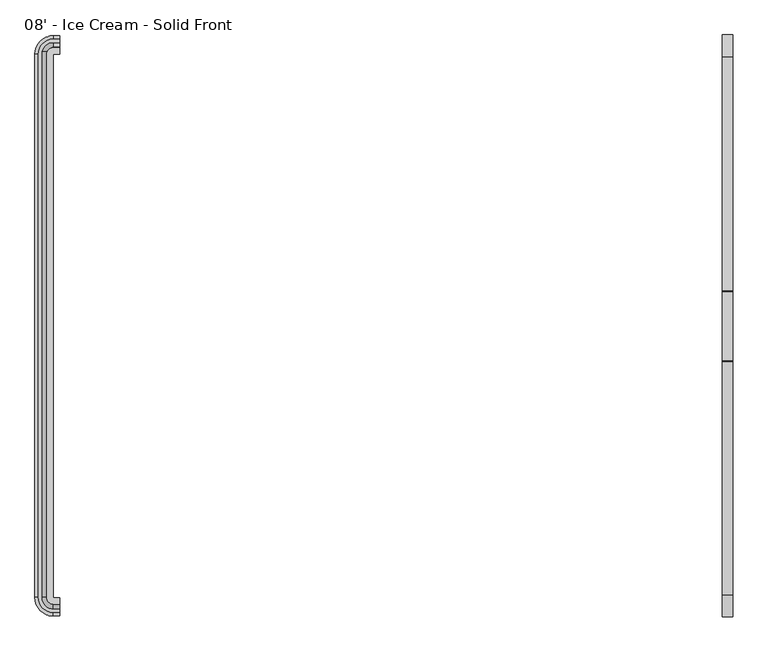
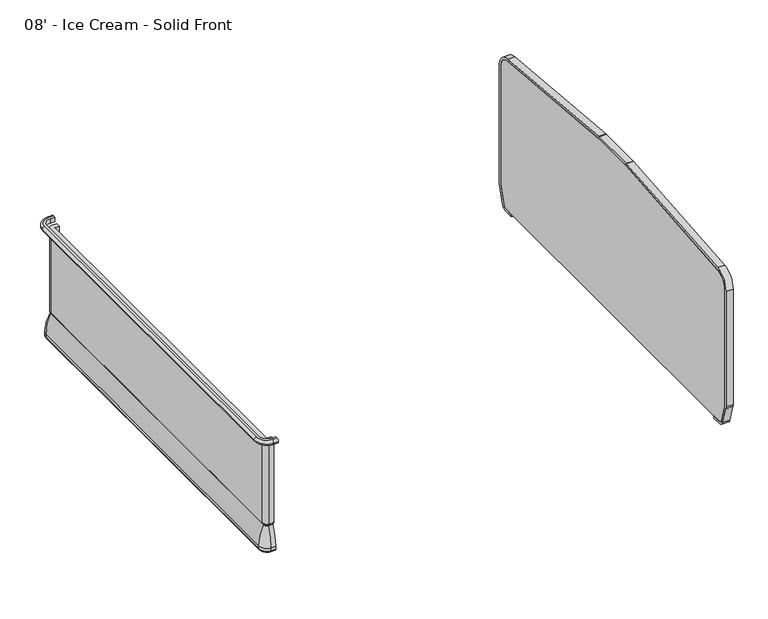
"""IFC4 building model written with IfcOpenShell, lengths in millimetres: proxy geometry, 08' - Ice Cream - Solid Front."""

from ifc_helpers import new_model, si_unit, point, frame, frame_2d, origin, place, context, project, spatial, polyline, circle_curve, ellipse_curve, trimmed, segment, composite_curve, outline, extrude, source, transform, mapped, element, save
from ifc_brep_helpers import plane_surface, cylinder_surface, revolved_surface, advanced_brep


def proxy_08_ice_cream_solid_front_8f405a52(model_context):
    return source(origin(), model_context, "Body", "SolidModel", [
        extrude(outline(composite_curve([segment(trimmed(circle_curve(frame_2d((-448.7907325, 105.4346764)), 25.4), [point((-448.7907325, 80.0346764))], [point((-424.3934681, 98.3683131))], True, "CARTESIAN"), True, "CONTINUOUS"), segment(polyline([(-424.3934681, 98.3683131), (-396.5553629, 194.4819131)]), True, "CONTINUOUS"), segment(trimmed(circle_curve(frame_2d((-420.9526273, 201.5482764)), 25.4), [point((-396.5553629, 194.4819131))], [point((-395.5526273, 201.5482764))], True, "CARTESIAN"), True, "CONTINUOUS"), segment(polyline([(-395.5526273, 201.5482764), (-395.5526273, 867.4346764)]), True, "CONTINUOUS"), segment(trimmed(circle_curve(frame_2d((-471.7526273, 867.4346764)), 76.2), [point((-395.5526273, 867.4346764))], [point((-465.008014, 943.3355999))], True, "CARTESIAN"), True, "CONTINUOUS"), segment(polyline([(-465.008014, 943.3355999), (-1324.7732229, 1019.7349842)]), True, "CONTINUOUS"), segment(trimmed(circle_curve(frame_2d((-1327.0214273, 994.4346764)), 25.4), [point((-1324.7732229, 1019.7349842))], [point((-1327.0214273, 1019.8346764))], True, "CARTESIAN"), True, "CONTINUOUS"), segment(polyline([(-1327.0214273, 1019.8346764), (-1581.0214273, 1019.8346764)]), True, "CONTINUOUS"), segment(trimmed(circle_curve(frame_2d((-1581.0214273, 994.4346764)), 25.4), [point((-1581.0214273, 1019.8346764))], [point((-1583.2696317, 1019.7349842))], True, "CARTESIAN"), True, "CONTINUOUS"), segment(polyline([(-1583.2696317, 1019.7349842), (-2443.0348406, 943.3355999)]), True, "CONTINUOUS"), segment(trimmed(circle_curve(frame_2d((-2436.2902273, 867.4346764)), 76.2), [point((-2443.0348406, 943.3355999))], [point((-2512.4902273, 867.4346764))], True, "CARTESIAN"), True, "CONTINUOUS"), segment(polyline([(-2512.4902273, 867.4346764), (-2512.4902273, 201.5482764)]), True, "CONTINUOUS"), segment(trimmed(circle_curve(frame_2d((-2487.0902273, 201.5482764)), 25.4), [point((-2512.4902273, 201.5482764))], [point((-2511.4874917, 194.4819131))], True, "CARTESIAN"), True, "CONTINUOUS"), segment(polyline([(-2511.4874917, 194.4819131), (-2483.6493865, 98.3683131)]), True, "CONTINUOUS"), segment(trimmed(circle_curve(frame_2d((-2459.2521221, 105.4346764)), 25.4), [point((-2483.6493865, 98.3683131))], [point((-2459.2521221, 80.0346764))], True, "CARTESIAN"), True, "CONTINUOUS"), segment(polyline([(-2459.2521221, 80.0346764), (-2409.6329734, 80.0346764), (-2409.6329734, 67.3346764), (-2459.2521221, 67.3346764)]), True, "CONTINUOUS"), segment(trimmed(circle_curve(frame_2d((-2459.2521221, 105.4346764)), 38.1), [point((-2459.2521221, 67.3346764))], [point((-2495.8480186, 94.8351315))], False, "CARTESIAN"), True, "CONTINUOUS"), segment(polyline([(-2495.8480186, 94.8351315), (-2523.6861239, 190.9487315)]), True, "CONTINUOUS"), segment(trimmed(circle_curve(frame_2d((-2487.0902273, 201.5482764)), 38.1), [point((-2523.6861239, 190.9487315))], [point((-2525.1902273, 201.5482764))], False, "CARTESIAN"), True, "CONTINUOUS"), segment(polyline([(-2525.1902273, 201.5482764), (-2525.1902273, 867.4346764)]), True, "CONTINUOUS"), segment(trimmed(circle_curve(frame_2d((-2436.2902273, 867.4346764)), 88.9), [point((-2525.1902273, 867.4346764))], [point((-2444.1589428, 955.9857538))], False, "CARTESIAN"), True, "CONTINUOUS"), segment(polyline([(-2444.1589428, 955.9857538), (-1584.3937339, 1032.3851381)]), True, "CONTINUOUS"), segment(trimmed(circle_curve(frame_2d((-1581.0214273, 994.4346764)), 38.1), [point((-1584.3937339, 1032.3851381))], [point((-1581.0214273, 1032.5346764))], False, "CARTESIAN"), True, "CONTINUOUS"), segment(polyline([(-1581.0214273, 1032.5346764), (-1327.0214273, 1032.5346764)]), True, "CONTINUOUS"), segment(trimmed(circle_curve(frame_2d((-1327.0214273, 994.4346764)), 38.1), [point((-1327.0214273, 1032.5346764))], [point((-1323.6491207, 1032.3851381))], False, "CARTESIAN"), True, "CONTINUOUS"), segment(polyline([(-1323.6491207, 1032.3851381), (-463.8839118, 955.9857538)]), True, "CONTINUOUS"), segment(trimmed(circle_curve(frame_2d((-471.7526273, 867.4346764)), 88.9), [point((-463.8839118, 955.9857538))], [point((-382.8526273, 867.4346764))], False, "CARTESIAN"), True, "CONTINUOUS"), segment(polyline([(-382.8526273, 867.4346764), (-382.8526273, 201.5482764)]), True, "CONTINUOUS"), segment(trimmed(circle_curve(frame_2d((-420.9526273, 201.5482764)), 38.1), [point((-382.8526273, 201.5482764))], [point((-384.3567307, 190.9487315))], False, "CARTESIAN"), True, "CONTINUOUS"), segment(polyline([(-384.3567307, 190.9487315), (-412.1948359, 94.8351315)]), True, "CONTINUOUS"), segment(trimmed(circle_curve(frame_2d((-448.7907325, 105.4346764)), 38.1), [point((-412.1948359, 94.8351315))], [point((-448.7907325, 67.3346764))], False, "CARTESIAN"), True, "CONTINUOUS"), segment(polyline([(-448.7907325, 67.3346764), (-498.4098812, 67.3346764), (-498.4098812, 80.0346764), (-448.7907325, 80.0346764)]), True, "CONTINUOUS")], self_intersect=False)), frame((2438.4, 0.0, 0.0), z_axis=(1.0, 0.0, 0.0), x_axis=(0.0, 1.0, 0.0)), (0.0, 0.0, 1.0), 38.1),
        extrude(outline(composite_curve([segment(polyline([(-448.7907325, 80.0346764), (-2459.2521221, 80.0346764)]), True, "CONTINUOUS"), segment(trimmed(circle_curve(frame_2d((-2459.2521221, 105.4346764)), 25.4), [point((-2459.2521221, 80.0346764))], [point((-2483.6493865, 98.3683131))], False, "CARTESIAN"), True, "CONTINUOUS"), segment(polyline([(-2483.6493865, 98.3683131), (-2511.4874917, 194.4819131)]), True, "CONTINUOUS"), segment(trimmed(circle_curve(frame_2d((-2487.0902273, 201.5482764)), 25.4), [point((-2511.4874917, 194.4819131))], [point((-2512.4902273, 201.5482764))], False, "CARTESIAN"), True, "CONTINUOUS"), segment(polyline([(-2512.4902273, 201.5482764), (-2512.4902273, 867.4346764)]), True, "CONTINUOUS"), segment(trimmed(circle_curve(frame_2d((-2436.2902273, 867.4346764)), 76.2), [point((-2512.4902273, 867.4346764))], [point((-2443.0348406, 943.3355999))], False, "CARTESIAN"), True, "CONTINUOUS"), segment(polyline([(-2443.0348406, 943.3355999), (-1583.2696317, 1019.7349842)]), True, "CONTINUOUS"), segment(trimmed(circle_curve(frame_2d((-1581.0214273, 994.4346764)), 25.4), [point((-1583.2696317, 1019.7349842))], [point((-1581.0214273, 1019.8346764))], False, "CARTESIAN"), True, "CONTINUOUS"), segment(polyline([(-1581.0214273, 1019.8346764), (-1327.0214273, 1019.8346764)]), True, "CONTINUOUS"), segment(trimmed(circle_curve(frame_2d((-1327.0214273, 994.4346764)), 25.4), [point((-1327.0214273, 1019.8346764))], [point((-1324.7732229, 1019.7349842))], False, "CARTESIAN"), True, "CONTINUOUS"), segment(polyline([(-1324.7732229, 1019.7349842), (-465.008014, 943.3355999)]), True, "CONTINUOUS"), segment(trimmed(circle_curve(frame_2d((-471.7526273, 867.4346764)), 76.2), [point((-465.008014, 943.3355999))], [point((-395.5526273, 867.4346764))], False, "CARTESIAN"), True, "CONTINUOUS"), segment(polyline([(-395.5526273, 867.4346764), (-395.5526273, 201.5482764)]), True, "CONTINUOUS"), segment(trimmed(circle_curve(frame_2d((-420.9526273, 201.5482764)), 25.4), [point((-395.5526273, 201.5482764))], [point((-396.5553629, 194.4819131))], False, "CARTESIAN"), True, "CONTINUOUS"), segment(polyline([(-396.5553629, 194.4819131), (-424.3934681, 98.3683131)]), True, "CONTINUOUS"), segment(trimmed(circle_curve(frame_2d((-448.7907325, 105.4346764)), 25.4), [point((-424.3934681, 98.3683131))], [point((-448.7907325, 80.0346764))], False, "CARTESIAN"), True, "CONTINUOUS")], self_intersect=False)), frame((2438.4, 0.0, 0.0), z_axis=(1.0, 0.0, 0.0), x_axis=(0.0, 1.0, 0.0)), (0.0, 0.0, 1.0), 38.1),
        advanced_brep(
        [(0.0, -2509.5631602, 866.4774073), (0.0, -2522.2631602, 853.7774073), (0.0, -2509.5631602, 841.0774073), (0.0, -2497.1486734, 841.0774073), (0.0, -2497.1486734, 866.4774073), (-23.8125, -2509.5631602, 866.4774073), (-23.8125, -2522.2631602, 853.7774073), (-23.8125, -2509.5631602, 841.0774073), (-79.2292329, -2454.1464273, 841.0774073), (-79.2292329, -453.8964273, 841.0774073), (-23.8125, -398.4796944, 841.0774073), (0.0, -398.4796944, 841.0774073), (0.0, -410.8941812, 841.0774073), (-23.8125, -410.8941812, 841.0774073), (-66.8147461, -453.8964273, 841.0774073), (-66.8147461, -2454.1464273, 841.0774073), (-23.8125, -2497.1486734, 841.0774073), (-23.8125, -2497.1486734, 866.4774073), (-66.8147461, -2454.1464273, 866.4774073), (-66.8147461, -453.8964273, 866.4774073), (-23.8125, -410.8941812, 866.4774073), (0.0, -410.8941812, 866.4774073), (0.0, -398.4796944, 866.4774073), (-23.8125, -398.4796944, 866.4774073), (-79.2292329, -453.8964273, 866.4774073), (-79.2292329, -2454.1464273, 866.4774073), (-91.9292329, -2454.1464273, 853.7774073), (-91.9292329, -453.8964273, 853.7774073), (-23.8125, -385.7796944, 853.7774073), (0.0, -385.7796944, 853.7774073)],
        [
            (0, 1, circle_curve(frame((0.0, -2509.5631602, 853.7774073), z_axis=(1.0, 0.0, 0.0), x_axis=(0.0, -1.0, 0.0)), 12.7)),
            (1, 2, circle_curve(frame((0.0, -2509.5631602, 853.7774073), z_axis=(1.0, 0.0, 0.0), x_axis=(0.0, -1.0, 0.0)), 12.7)),
            (2, 3),
            (3, 4),
            (4, 0),
            (0, 5),
            (5, 6, circle_curve(frame((-23.8125, -2509.5631602, 853.7774073), z_axis=(1.0, 0.0, 0.0), x_axis=(0.0, -1.0, 0.0)), 12.7)),
            (6, 1),
            (6, 7, circle_curve(frame((-23.8125, -2509.5631602, 853.7774073), z_axis=(1.0, 0.0, 0.0), x_axis=(0.0, -1.0, 0.0)), 12.7)),
            (7, 2),
            (7, 8, circle_curve(frame((-23.8125, -2454.1464273, 841.0774073), z_axis=(0.0, 0.0, -1.0), x_axis=(0.0, -1.0, 0.0)), 55.4167329)),
            (8, 9),
            (9, 10, circle_curve(frame((-23.8125, -453.8964273, 841.0774073), z_axis=(0.0, 0.0, -1.0), x_axis=(-1.0, 0.0, 0.0)), 55.4167329)),
            (10, 11),
            (11, 12),
            (12, 13),
            (13, 14, circle_curve(frame((-23.8125, -453.8964273, 841.0774073), z_axis=(0.0, 0.0, 1.0), x_axis=(-1.0, 0.0, 0.0)), 43.0022461)),
            (14, 15),
            (15, 16, circle_curve(frame((-23.8125, -2454.1464273, 841.0774073), z_axis=(0.0, 0.0, 1.0), x_axis=(0.0, -1.0, 0.0)), 43.0022461)),
            (16, 3),
            (16, 17),
            (17, 4),
            (17, 18, circle_curve(frame((-23.8125, -2454.1464273, 866.4774073), z_axis=(0.0, 0.0, -1.0), x_axis=(0.0, -1.0, 0.0)), 43.0022461)),
            (18, 19),
            (19, 20, circle_curve(frame((-23.8125, -453.8964273, 866.4774073), z_axis=(0.0, 0.0, -1.0), x_axis=(-1.0, 0.0, 0.0)), 43.0022461)),
            (20, 21),
            (21, 22),
            (22, 23),
            (23, 24, circle_curve(frame((-23.8125, -453.8964273, 866.4774073), z_axis=(0.0, 0.0, 1.0), x_axis=(-1.0, 0.0, 0.0)), 55.4167329)),
            (24, 25),
            (25, 5, circle_curve(frame((-23.8125, -2454.1464273, 866.4774073), z_axis=(0.0, 0.0, 1.0), x_axis=(0.0, -1.0, 0.0)), 55.4167329)),
            (26, 6, circle_curve(frame((-23.8125, -2454.1464273, 853.7774073), z_axis=(0.0, 0.0, 1.0), x_axis=(0.0, -1.0, 0.0)), 68.1167329)),
            (25, 26, circle_curve(frame((-79.2292329, -2454.1464273, 853.7774073), z_axis=(0.0, -1.0, 0.0), x_axis=(-1.0, 0.0, 0.0)), 12.7)),
            (26, 8, circle_curve(frame((-79.2292329, -2454.1464273, 853.7774073), z_axis=(0.0, -1.0, 0.0), x_axis=(-1.0, 0.0, 0.0)), 12.7)),
            (15, 18),
            (24, 27, circle_curve(frame((-79.2292329, -453.8964273, 853.7774073), z_axis=(0.0, -1.0, 0.0), x_axis=(-1.0, 0.0, 0.0)), 12.7)),
            (27, 26),
            (27, 9, circle_curve(frame((-79.2292329, -453.8964273, 853.7774073), z_axis=(0.0, -1.0, 0.0), x_axis=(-1.0, 0.0, 0.0)), 12.7)),
            (14, 19),
            (28, 27, circle_curve(frame((-23.8125, -453.8964273, 853.7774073), z_axis=(0.0, 0.0, 1.0), x_axis=(-1.0, 0.0, 0.0)), 68.1167329)),
            (23, 28, circle_curve(frame((-23.8125, -398.4796944, 853.7774073), z_axis=(-1.0, 0.0, 0.0), x_axis=(0.0, 1.0, 0.0)), 12.7)),
            (28, 10, circle_curve(frame((-23.8125, -398.4796944, 853.7774073), z_axis=(-1.0, 0.0, 0.0), x_axis=(0.0, 1.0, 0.0)), 12.7)),
            (13, 20),
            (21, 12),
            (11, 29, circle_curve(frame((0.0, -398.4796944, 853.7774073), z_axis=(1.0, 0.0, 0.0), x_axis=(0.0, 1.0, 0.0)), 12.7)),
            (29, 22, circle_curve(frame((0.0, -398.4796944, 853.7774073), z_axis=(1.0, 0.0, 0.0), x_axis=(0.0, 1.0, 0.0)), 12.7)),
            (29, 28),
        ],
        [
            plane_surface(frame((0.0, -2506.5339273, -50.8), z_axis=(1.0, 0.0, 0.0), x_axis=(0.0, 0.0, 1.0))),
            cylinder_surface(frame((0.0, -2509.5631602, 853.7774073), z_axis=(1.0, 0.0, 0.0), x_axis=(0.0, -1.0, 0.0)), 12.7),
            plane_surface(frame((0.0, -2509.5631602, 841.0774073), z_axis=(0.0, 0.0, -1.0), x_axis=(-1.0, 0.0, 0.0))),
            plane_surface(frame((0.0, -2497.1486734, 841.0774073), z_axis=(0.0, 1.0, 0.0), x_axis=(-1.0, 0.0, 0.0))),
            plane_surface(frame((0.0, -2497.1486734, 866.4774073), z_axis=(0.0, 0.0, 1.0), x_axis=(-1.0, 0.0, 0.0))),
            revolved_surface(trimmed(ellipse_curve(frame((-23.8125, -2509.5631602, 853.7774073), z_axis=(1.0, 0.0, 0.0), x_axis=(0.0, -1.0, 0.0)), 12.7, 12.7), [point((-23.8125, -2509.5631602, 866.4774073))], [point((-23.8125, -2522.2631602, 853.7774073))], True, "CARTESIAN"), (-23.8125, -2454.1464273, -50.8), (0.0, 0.0, -1.0)),
            revolved_surface(trimmed(ellipse_curve(frame((-23.8125, -2509.5631602, 853.7774073), z_axis=(1.0, 0.0, 0.0), x_axis=(0.0, -1.0, 0.0)), 12.7, 12.7), [point((-23.8125, -2522.2631602, 853.7774073))], [point((-23.8125, -2509.5631602, 841.0774073))], True, "CARTESIAN"), (-23.8125, -2454.1464273, -50.8), (0.0, 0.0, -1.0)),
            revolved_surface(polyline([(-23.8125, -2497.1486734, 841.0774073), (-23.8125, -2497.1486734, 866.4774073)]), (-23.8125, -2454.1464273, -50.8), (0.0, 0.0, -1.0)),
            cylinder_surface(frame((-79.2292329, -2454.1464273, 853.7774073), z_axis=(0.0, -1.0, 0.0), x_axis=(-1.0, 0.0, 0.0)), 12.7),
            plane_surface(frame((-66.8147461, -2454.1464273, 841.0774073), z_axis=(1.0, 0.0, 0.0), x_axis=(0.0, 1.0, 0.0))),
            revolved_surface(trimmed(ellipse_curve(frame((-79.2292329, -453.8964273, 853.7774073), z_axis=(0.0, -1.0, 0.0), x_axis=(-1.0, 0.0, 0.0)), 12.7, 12.7), [point((-79.2292329, -453.8964273, 866.4774073))], [point((-91.9292329, -453.8964273, 853.7774073))], True, "CARTESIAN"), (-23.8125, -453.8964273, -50.8), (0.0, 0.0, -1.0)),
            revolved_surface(trimmed(ellipse_curve(frame((-79.2292329, -453.8964273, 853.7774073), z_axis=(0.0, -1.0, 0.0), x_axis=(-1.0, 0.0, 0.0)), 12.7, 12.7), [point((-91.9292329, -453.8964273, 853.7774073))], [point((-79.2292329, -453.8964273, 841.0774073))], True, "CARTESIAN"), (-23.8125, -453.8964273, -50.8), (0.0, 0.0, -1.0)),
            revolved_surface(polyline([(-66.81474610000001, -453.8964273, 841.0774073), (-66.81474610000001, -453.8964273, 866.4774073)]), (-23.8125, -453.8964273, -50.8), (0.0, 0.0, -1.0)),
            plane_surface(frame((0.0, -401.5089273, -50.8), z_axis=(1.0, 0.0, 0.0), x_axis=(0.0, 0.0, 1.0))),
            cylinder_surface(frame((-23.8125, -398.4796944, 853.7774073), z_axis=(-1.0, 0.0, 0.0), x_axis=(0.0, 1.0, 0.0)), 12.7),
            plane_surface(frame((-23.8125, -410.8941812, 841.0774073), z_axis=(0.0, -1.0, 0.0), x_axis=(1.0, 0.0, 0.0))),
        ],
        [
            (0, [[1, 2, 3, 4, 5]]),
            (1, [[-1, 6, 7, 8]]),
            (1, [[-2, -8, 9, 10]]),
            (2, [[-3, -10, 11, 12, 13, 14, 15, 16, 17, 18, 19, 20]]),
            (3, [[-4, -20, 21, 22]]),
            (4, [[-5, -22, 23, 24, 25, 26, 27, 28, 29, 30, 31, -6]]),
            (5, [[32, -7, -31, 33]]),
            (6, [[-11, -9, -32, 34]]),
            (7, [[-23, -21, -19, 35]]),
            (8, [[-33, -30, 36, 37]]),
            (8, [[-34, -37, 38, -12]]),
            (9, [[-35, -18, 39, -24]]),
            (10, [[40, -36, -29, 41]]),
            (11, [[-13, -38, -40, 42]]),
            (12, [[-25, -39, -17, 43]]),
            (13, [[-27, 44, -15, 45, 46]]),
            (14, [[-41, -28, -46, 47]]),
            (14, [[-42, -47, -45, -14]]),
            (15, [[-43, -16, -44, -26]]),
        ],
    ),
        advanced_brep(
        [(0.0, -2454.774197, 212.6925638), (0.0, -2454.774197, 358.1075638), (0.0, -2459.036449, 358.1075638), (0.0, -2459.036449, 353.8876761), (0.0, -2470.5758305, 346.6306987), (0.0, -2497.4082007, 235.3283913), (0.0, -2497.4082007, 218.3404259), (0.0, -2489.2203386, 210.1525638), (0.0, -2484.436449, 210.1525638), (0.0, -2484.436449, 212.6925638), (0.0, -444.5374076, 212.6925638), (0.0, -414.8751556, 212.6925638), (0.0, -414.8751556, 210.1525638), (0.0, -410.091266, 210.1525638), (0.0, -401.9034039, 218.3404259), (0.0, -401.9034039, 235.3283913), (0.0, -428.7357741, 346.6306987), (0.0, -440.2751556, 353.8876761), (0.0, -440.2751556, 358.1075638), (0.0, -444.5374076, 358.1075638), (-23.8125, -2454.774197, 212.6925638), (-23.8125, -2454.774197, 358.1075638), (-24.4402697, -2454.1464273, 358.1075638), (-24.4402697, -445.1651773, 358.1075638), (-23.8125, -444.5374076, 358.1075638), (-23.8125, -440.2751556, 358.1075638), (-28.7025217, -445.1651773, 358.1075638), (-28.7025217, -2454.1464273, 358.1075638), (-23.8125, -2459.036449, 358.1075638), (-23.8125, -2459.036449, 353.8876761), (-23.8125, -2470.5758305, 346.6306987), (-23.8125, -2497.4082007, 235.3283913), (-23.8125, -2497.4082007, 218.3404259), (-23.8125, -2489.2203386, 210.1525638), (-58.8864113, -2454.1464273, 210.1525638), (-58.8864113, -445.1651773, 210.1525638), (-23.8125, -410.091266, 210.1525638), (-23.8125, -414.8751556, 210.1525638), (-54.1025217, -445.1651773, 210.1525638), (-54.1025217, -2454.1464273, 210.1525638), (-23.8125, -2484.436449, 210.1525638), (-23.8125, -2484.436449, 212.6925638), (-54.1025217, -2454.1464273, 212.6925638), (-54.1025217, -445.1651773, 212.6925638), (-23.8125, -414.8751556, 212.6925638), (-23.8125, -444.5374076, 212.6925638), (-24.4402697, -445.1651773, 212.6925638), (-24.4402697, -2454.1464273, 212.6925638), (-28.7025217, -2454.1464273, 353.8876761), (-40.2419032, -2454.1464273, 346.6306987), (-67.0742734, -2454.1464273, 235.3283913), (-67.0742734, -2454.1464273, 218.3404259), (-28.7025217, -445.1651773, 353.8876761), (-40.2419032, -445.1651773, 346.6306987), (-67.0742734, -445.1651773, 235.3283913), (-67.0742734, -445.1651773, 218.3404259), (-23.8125, -440.2751556, 353.8876761), (-23.8125, -428.7357741, 346.6306987), (-23.8125, -401.9034039, 235.3283913), (-23.8125, -401.9034039, 218.3404259)],
        [
            (0, 1),
            (1, 2),
            (2, 3),
            (3, 4, circle_curve(frame((0.0, -2459.1012802, 341.1878416), z_axis=(1.0, 0.0, 0.0), x_axis=(0.0, -1.0, 0.0)), 12.7)),
            (4, 5, circle_curve(frame((0.0, -2218.1357225, 226.8878416), z_axis=(1.0, 0.0, 0.0), x_axis=(0.0, -1.0, 0.0)), 279.4)),
            (5, 6),
            (6, 7, circle_curve(frame((0.0, -2489.2203386, 218.3404259), z_axis=(1.0, 0.0, 0.0), x_axis=(0.0, -1.0, 0.0)), 8.1878621)),
            (7, 8),
            (8, 9),
            (9, 0),
            (10, 11),
            (11, 12),
            (12, 13),
            (13, 14, circle_curve(frame((0.0, -410.091266, 218.3404259), z_axis=(1.0, 0.0, 0.0), x_axis=(0.0, 1.0, 0.0)), 8.1878621)),
            (14, 15),
            (15, 16, circle_curve(frame((0.0, -681.1758821, 226.8878416), z_axis=(1.0, 0.0, 0.0), x_axis=(0.0, 1.0, 0.0)), 279.4)),
            (16, 17, circle_curve(frame((0.0, -440.2103244, 341.1878416), z_axis=(1.0, 0.0, 0.0), x_axis=(0.0, 1.0, 0.0)), 12.7)),
            (17, 18),
            (18, 19),
            (19, 10),
            (0, 20),
            (20, 21),
            (21, 1),
            (21, 22, circle_curve(frame((-23.8125, -2454.1464273, 358.1075638), z_axis=(0.0, 0.0, -1.0), x_axis=(0.0, -1.0, 0.0)), 0.6277697)),
            (22, 23),
            (23, 24, circle_curve(frame((-23.8125, -445.1651773, 358.1075638), z_axis=(0.0, 0.0, -1.0), x_axis=(-1.0, 0.0, 0.0)), 0.6277697)),
            (24, 19),
            (18, 25),
            (25, 26, circle_curve(frame((-23.8125, -445.1651773, 358.1075638), z_axis=(0.0, 0.0, 1.0), x_axis=(-1.0, 0.0, 0.0)), 4.8900217)),
            (26, 27),
            (27, 28, circle_curve(frame((-23.8125, -2454.1464273, 358.1075638), z_axis=(0.0, 0.0, 1.0), x_axis=(0.0, -1.0, 0.0)), 4.8900217)),
            (28, 2),
            (28, 29),
            (29, 3),
            (29, 30, circle_curve(frame((-23.8125, -2459.1012802, 341.1878416), z_axis=(1.0, 0.0, 0.0), x_axis=(0.0, -1.0, 0.0)), 12.7)),
            (30, 4),
            (30, 31, circle_curve(frame((-23.8125, -2218.1357225, 226.8878416), z_axis=(1.0, 0.0, 0.0), x_axis=(0.0, -1.0, 0.0)), 279.4)),
            (31, 5),
            (31, 32),
            (32, 6),
            (7, 33),
            (33, 34, circle_curve(frame((-23.8125, -2454.1464273, 210.1525638), z_axis=(0.0, 0.0, -1.0), x_axis=(0.0, -1.0, 0.0)), 35.0739113)),
            (34, 35),
            (35, 36, circle_curve(frame((-23.8125, -445.1651773, 210.1525638), z_axis=(0.0, 0.0, -1.0), x_axis=(-1.0, 0.0, 0.0)), 35.0739113)),
            (36, 13),
            (12, 37),
            (37, 38, circle_curve(frame((-23.8125, -445.1651773, 210.1525638), z_axis=(0.0, 0.0, 1.0), x_axis=(-1.0, 0.0, 0.0)), 30.2900217)),
            (38, 39),
            (39, 40, circle_curve(frame((-23.8125, -2454.1464273, 210.1525638), z_axis=(0.0, 0.0, 1.0), x_axis=(0.0, -1.0, 0.0)), 30.2900217)),
            (40, 8),
            (40, 41),
            (41, 9),
            (41, 42, circle_curve(frame((-23.8125, -2454.1464273, 212.6925638), z_axis=(0.0, 0.0, -1.0), x_axis=(0.0, -1.0, 0.0)), 30.2900217)),
            (42, 43),
            (43, 44, circle_curve(frame((-23.8125, -445.1651773, 212.6925638), z_axis=(0.0, 0.0, -1.0), x_axis=(-1.0, 0.0, 0.0)), 30.2900217)),
            (44, 11),
            (10, 45),
            (45, 46, circle_curve(frame((-23.8125, -445.1651773, 212.6925638), z_axis=(0.0, 0.0, 1.0), x_axis=(-1.0, 0.0, 0.0)), 0.6277697)),
            (46, 47),
            (47, 20, circle_curve(frame((-23.8125, -2454.1464273, 212.6925638), z_axis=(0.0, 0.0, 1.0), x_axis=(0.0, -1.0, 0.0)), 0.6277697)),
            (47, 22),
            (48, 29, circle_curve(frame((-23.8125, -2454.1464273, 353.8876761), z_axis=(0.0, 0.0, 1.0), x_axis=(0.0, -1.0, 0.0)), 4.8900217)),
            (27, 48),
            (49, 30, circle_curve(frame((-23.8125, -2454.1464273, 346.6306987), z_axis=(0.0, 0.0, 1.0), x_axis=(0.0, -1.0, 0.0)), 16.4294032)),
            (48, 49, circle_curve(frame((-28.7673529, -2454.1464273, 341.1878416), z_axis=(0.0, -1.0, 0.0), x_axis=(-1.0, 0.0, 0.0)), 12.7)),
            (50, 31, circle_curve(frame((-23.8125, -2454.1464273, 235.3283913), z_axis=(0.0, 0.0, 1.0), x_axis=(0.0, -1.0, 0.0)), 43.2617734)),
            (49, 50, circle_curve(frame((212.1982048, -2454.1464273, 226.8878416), z_axis=(0.0, -1.0, 0.0), x_axis=(-1.0, 0.0, 0.0)), 279.4)),
            (51, 32, circle_curve(frame((-23.8125, -2454.1464273, 218.3404259), z_axis=(0.0, 0.0, 1.0), x_axis=(0.0, -1.0, 0.0)), 43.2617734)),
            (50, 51),
            (39, 42),
            (46, 23),
            (26, 52),
            (52, 48),
            (52, 53, circle_curve(frame((-28.7673529, -445.1651773, 341.1878416), z_axis=(0.0, -1.0, 0.0), x_axis=(-1.0, 0.0, 0.0)), 12.7)),
            (53, 49),
            (53, 54, circle_curve(frame((212.1982048, -445.1651773, 226.8878416), z_axis=(0.0, -1.0, 0.0), x_axis=(-1.0, 0.0, 0.0)), 279.4)),
            (54, 50),
            (54, 55),
            (55, 51),
            (38, 43),
            (45, 24),
            (56, 52, circle_curve(frame((-23.8125, -445.1651773, 353.8876761), z_axis=(0.0, 0.0, 1.0), x_axis=(-1.0, 0.0, 0.0)), 4.8900217)),
            (25, 56),
            (57, 53, circle_curve(frame((-23.8125, -445.1651773, 346.6306987), z_axis=(0.0, 0.0, 1.0), x_axis=(-1.0, 0.0, 0.0)), 16.4294032)),
            (56, 57, circle_curve(frame((-23.8125, -440.2103244, 341.1878416), z_axis=(-1.0, 0.0, 0.0), x_axis=(0.0, 1.0, 0.0)), 12.7)),
            (58, 54, circle_curve(frame((-23.8125, -445.1651773, 235.3283913), z_axis=(0.0, 0.0, 1.0), x_axis=(-1.0, 0.0, 0.0)), 43.2617734)),
            (57, 58, circle_curve(frame((-23.8125, -681.1758821, 226.8878416), z_axis=(-1.0, 0.0, 0.0), x_axis=(0.0, 1.0, 0.0)), 279.4)),
            (59, 55, circle_curve(frame((-23.8125, -445.1651773, 218.3404259), z_axis=(0.0, 0.0, 1.0), x_axis=(-1.0, 0.0, 0.0)), 43.2617734)),
            (58, 59),
            (37, 44),
            (17, 56),
            (16, 57),
            (15, 58),
            (14, 59),
            (32, 33, circle_curve(frame((-23.8125, -2489.2203386, 218.3404259), z_axis=(1.0, 0.0, 0.0), x_axis=(0.0, -1.0, 0.0)), 8.1878621)),
            (51, 34, circle_curve(frame((-58.8864113, -2454.1464273, 218.3404259), z_axis=(0.0, -1.0, 0.0), x_axis=(-1.0, 0.0, 0.0)), 8.1878621)),
            (55, 35, circle_curve(frame((-58.8864113, -445.1651773, 218.3404259), z_axis=(0.0, -1.0, 0.0), x_axis=(-1.0, 0.0, 0.0)), 8.1878621)),
            (59, 36, circle_curve(frame((-23.8125, -410.091266, 218.3404259), z_axis=(-1.0, 0.0, 0.0), x_axis=(0.0, 1.0, 0.0)), 8.1878621)),
        ],
        [
            plane_surface(frame((0.0, -2506.5339273, 279.4), z_axis=(1.0, 0.0, 0.0), x_axis=(0.0, 0.0, 1.0))),
            plane_surface(frame((0.0, -392.7776773, 279.4), z_axis=(1.0, 0.0, 0.0), x_axis=(0.0, 0.0, 1.0))),
            plane_surface(frame((0.0, -2454.774197, 212.6925638), z_axis=(0.0, 1.0, 0.0), x_axis=(-1.0, 0.0, 0.0))),
            plane_surface(frame((0.0, -2454.774197, 358.1075638), z_axis=(0.0, 0.0, 1.0), x_axis=(-1.0, 0.0, 0.0))),
            plane_surface(frame((0.0, -2459.036449, 358.1075638), z_axis=(0.0, -1.0, 0.0), x_axis=(-1.0, 0.0, 0.0))),
            cylinder_surface(frame((0.0, -2459.1012802, 341.1878416), z_axis=(1.0, 0.0, 0.0), x_axis=(0.0, -1.0, 0.0)), 12.7),
            cylinder_surface(frame((0.0, -2218.1357225, 226.8878416), z_axis=(1.0, 0.0, 0.0), x_axis=(0.0, -1.0, 0.0)), 279.4),
            plane_surface(frame((0.0, -2497.4082007, 235.3283913), z_axis=(0.0, -1.0, 0.0), x_axis=(-1.0, 0.0, 0.0))),
            plane_surface(frame((0.0, -2489.2203386, 210.1525638), z_axis=(0.0, 0.0, -1.0), x_axis=(-1.0, 0.0, 0.0))),
            plane_surface(frame((0.0, -2484.436449, 210.1525638), z_axis=(0.0, 1.0, 0.0), x_axis=(-1.0, 0.0, 0.0))),
            plane_surface(frame((0.0, -2484.436449, 212.6925638), z_axis=(0.0, 0.0, -1.0), x_axis=(-1.0, 0.0, 0.0))),
            revolved_surface(polyline([(-23.8125, -2454.774197, 212.6925638), (-23.8125, -2454.774197, 358.1075638)]), (-23.8125, -2454.1464273, 279.4), (0.0, 0.0, -1.0)),
            cylinder_surface(frame((-23.8125, -2454.1464273, 279.4), z_axis=(0.0, 0.0, -1.0), x_axis=(0.0, -1.0, 0.0)), 4.8900217),
            revolved_surface(trimmed(ellipse_curve(frame((-23.8125, -2459.1012802, 341.1878416), z_axis=(1.0, 0.0, 0.0), x_axis=(0.0, -1.0, 0.0)), 12.7, 12.7), [point((-23.8125, -2459.036449, 353.8876761))], [point((-23.8125, -2470.5758305, 346.6306987))], True, "CARTESIAN"), (-23.8125, -2454.1464273, 279.4), (0.0, 0.0, -1.0)),
            revolved_surface(trimmed(ellipse_curve(frame((-23.8125, -2218.1357225, 226.8878416), z_axis=(1.0, 0.0, 0.0), x_axis=(0.0, -1.0, 0.0)), 279.4, 279.4), [point((-23.8125, -2470.5758305, 346.6306987))], [point((-23.8125, -2497.4082007, 235.3283913))], True, "CARTESIAN"), (-23.8125, -2454.1464273, 279.4), (0.0, 0.0, -1.0)),
            cylinder_surface(frame((-23.8125, -2454.1464273, 279.4), z_axis=(0.0, 0.0, -1.0), x_axis=(0.0, -1.0, 0.0)), 43.2617734),
            revolved_surface(polyline([(-23.8125, -2484.4364490000003, 210.1525638), (-23.8125, -2484.4364490000003, 212.6925638)]), (-23.8125, -2454.1464273, 279.4), (0.0, 0.0, -1.0)),
            plane_surface(frame((-24.4402697, -2454.1464273, 212.6925638), z_axis=(1.0, 0.0, 0.0), x_axis=(0.0, 1.0, 0.0))),
            plane_surface(frame((-28.7025217, -2454.1464273, 358.1075638), z_axis=(-1.0, 0.0, 0.0), x_axis=(0.0, 1.0, 0.0))),
            cylinder_surface(frame((-28.7673529, -2454.1464273, 341.1878416), z_axis=(0.0, -1.0, 0.0), x_axis=(-1.0, 0.0, 0.0)), 12.7),
            cylinder_surface(frame((212.1982048, -2454.1464273, 226.8878416), z_axis=(0.0, -1.0, 0.0), x_axis=(-1.0, 0.0, 0.0)), 279.4),
            plane_surface(frame((-67.0742734, -2454.1464273, 235.3283913), z_axis=(-1.0, 0.0, 0.0), x_axis=(0.0, 1.0, 0.0))),
            plane_surface(frame((-54.1025217, -2454.1464273, 210.1525638), z_axis=(1.0, 0.0, 0.0), x_axis=(0.0, 1.0, 0.0))),
            revolved_surface(polyline([(-24.4402697, -445.1651773, 212.6925638), (-24.4402697, -445.1651773, 358.1075638)]), (-23.8125, -445.1651773, 279.4), (0.0, 0.0, -1.0)),
            cylinder_surface(frame((-23.8125, -445.1651773, 279.4), z_axis=(0.0, 0.0, -1.0), x_axis=(-1.0, 0.0, 0.0)), 4.8900217),
            revolved_surface(trimmed(ellipse_curve(frame((-28.7673529, -445.1651773, 341.1878416), z_axis=(0.0, -1.0, 0.0), x_axis=(-1.0, 0.0, 0.0)), 12.7, 12.7), [point((-28.7025217, -445.1651773, 353.8876761))], [point((-40.2419032, -445.1651773, 346.6306987))], True, "CARTESIAN"), (-23.8125, -445.1651773, 279.4), (0.0, 0.0, -1.0)),
            revolved_surface(trimmed(ellipse_curve(frame((212.1982048, -445.1651773, 226.8878416), z_axis=(0.0, -1.0, 0.0), x_axis=(-1.0, 0.0, 0.0)), 279.4, 279.4), [point((-40.2419032, -445.1651773, 346.6306987))], [point((-67.0742734, -445.1651773, 235.3283913))], True, "CARTESIAN"), (-23.8125, -445.1651773, 279.4), (0.0, 0.0, -1.0)),
            cylinder_surface(frame((-23.8125, -445.1651773, 279.4), z_axis=(0.0, 0.0, -1.0), x_axis=(-1.0, 0.0, 0.0)), 43.2617734),
            revolved_surface(polyline([(-54.1025217, -445.1651773, 210.1525638), (-54.1025217, -445.1651773, 212.6925638)]), (-23.8125, -445.1651773, 279.4), (0.0, 0.0, -1.0)),
            plane_surface(frame((-23.8125, -444.5374076, 212.6925638), z_axis=(0.0, -1.0, 0.0), x_axis=(1.0, 0.0, 0.0))),
            plane_surface(frame((-23.8125, -440.2751556, 358.1075638), z_axis=(0.0, 1.0, 0.0), x_axis=(1.0, 0.0, 0.0))),
            cylinder_surface(frame((-23.8125, -440.2103244, 341.1878416), z_axis=(-1.0, 0.0, 0.0), x_axis=(0.0, 1.0, 0.0)), 12.7),
            cylinder_surface(frame((-23.8125, -681.1758821, 226.8878416), z_axis=(-1.0, 0.0, 0.0), x_axis=(0.0, 1.0, 0.0)), 279.4),
            plane_surface(frame((-23.8125, -401.9034039, 235.3283913), z_axis=(0.0, 1.0, 0.0), x_axis=(1.0, 0.0, 0.0))),
            plane_surface(frame((-23.8125, -414.8751556, 210.1525638), z_axis=(0.0, -1.0, 0.0), x_axis=(1.0, 0.0, 0.0))),
            cylinder_surface(frame((0.0, -2489.2203386, 218.3404259), z_axis=(1.0, 0.0, 0.0), x_axis=(0.0, -1.0, 0.0)), 8.1878621),
            revolved_surface(trimmed(ellipse_curve(frame((-23.8125, -2489.2203386, 218.3404259), z_axis=(1.0, 0.0, 0.0), x_axis=(0.0, -1.0, 0.0)), 8.1878621, 8.1878621), [point((-23.8125, -2497.4082007, 218.3404259))], [point((-23.8125, -2489.2203386, 210.1525638))], True, "CARTESIAN"), (-23.8125, -2454.1464273, 279.4), (0.0, 0.0, -1.0)),
            cylinder_surface(frame((-58.8864113, -2454.1464273, 218.3404259), z_axis=(0.0, -1.0, 0.0), x_axis=(-1.0, 0.0, 0.0)), 8.1878621),
            revolved_surface(trimmed(ellipse_curve(frame((-58.8864113, -445.1651773, 218.3404259), z_axis=(0.0, -1.0, 0.0), x_axis=(-1.0, 0.0, 0.0)), 8.1878621, 8.1878621), [point((-67.0742734, -445.1651773, 218.3404259))], [point((-58.8864113, -445.1651773, 210.1525638))], True, "CARTESIAN"), (-23.8125, -445.1651773, 279.4), (0.0, 0.0, -1.0)),
            cylinder_surface(frame((-23.8125, -410.091266, 218.3404259), z_axis=(-1.0, 0.0, 0.0), x_axis=(0.0, 1.0, 0.0)), 8.1878621),
        ],
        [
            (0, [[1, 2, 3, 4, 5, 6, 7, 8, 9, 10]]),
            (1, [[11, 12, 13, 14, 15, 16, 17, 18, 19, 20]]),
            (2, [[-1, 21, 22, 23]]),
            (3, [[-2, -23, 24, 25, 26, 27, -19, 28, 29, 30, 31, 32]]),
            (4, [[-3, -32, 33, 34]]),
            (5, [[-4, -34, 35, 36]]),
            (6, [[-5, -36, 37, 38]]),
            (7, [[-6, -38, 39, 40]]),
            (8, [[-8, 41, 42, 43, 44, 45, -13, 46, 47, 48, 49, 50]]),
            (9, [[-9, -50, 51, 52]]),
            (10, [[-10, -52, 53, 54, 55, 56, -11, 57, 58, 59, 60, -21]]),
            (11, [[-24, -22, -60, 61]]),
            (12, [[62, -33, -31, 63]]),
            (13, [[64, -35, -62, 65]]),
            (14, [[66, -37, -64, 67]]),
            (15, [[68, -39, -66, 69]]),
            (16, [[-53, -51, -49, 70]]),
            (17, [[-61, -59, 71, -25]]),
            (18, [[-63, -30, 72, 73]]),
            (19, [[-65, -73, 74, 75]]),
            (20, [[-67, -75, 76, 77]]),
            (21, [[-69, -77, 78, 79]]),
            (22, [[-70, -48, 80, -54]]),
            (23, [[-26, -71, -58, 81]]),
            (24, [[82, -72, -29, 83]]),
            (25, [[84, -74, -82, 85]]),
            (26, [[86, -76, -84, 87]]),
            (27, [[88, -78, -86, 89]]),
            (28, [[-55, -80, -47, 90]]),
            (29, [[-81, -57, -20, -27]]),
            (30, [[-83, -28, -18, 91]]),
            (31, [[-85, -91, -17, 92]]),
            (32, [[-87, -92, -16, 93]]),
            (33, [[-89, -93, -15, 94]]),
            (34, [[-90, -46, -12, -56]]),
            (35, [[-7, -40, 95, -41]]),
            (36, [[-42, -95, -68, 96]]),
            (37, [[-96, -79, 97, -43]]),
            (38, [[-44, -97, -88, 98]]),
            (39, [[-98, -94, -14, -45]]),
        ],
    ),
        advanced_brep(
        [(0.0, -2478.2764734, 840.1995638), (0.0, -2478.2764734, 359.6315638), (0.0, -2476.7524734, 358.1075638), (0.0, -2454.774197, 358.1075638), (0.0, -2454.774197, 840.1995638), (0.0, -429.7663812, 840.1995638), (0.0, -453.2686576, 840.1995638), (0.0, -453.2686576, 358.1075638), (0.0, -431.2903812, 358.1075638), (0.0, -429.7663812, 359.6315638), (-23.8125, -2454.774197, 840.1995638), (-24.4402697, -2454.1464273, 840.1995638), (-24.4402697, -453.8964273, 840.1995638), (-23.8125, -453.2686576, 840.1995638), (-23.8125, -429.7663812, 840.1995638), (-47.9425461, -453.8964273, 840.1995638), (-47.9425461, -2454.1464273, 840.1995638), (-23.8125, -2478.2764734, 840.1995638), (-23.8125, -2454.774197, 358.1075638), (-24.4402697, -2454.1464273, 358.1075638), (-24.4402697, -453.8964273, 358.1075638), (-23.8125, -453.2686576, 358.1075638), (-23.8125, -2478.2764734, 359.6315638), (-23.8125, -2476.7524734, 358.1075638), (-46.4185461, -2454.1464273, 358.1075638), (-46.4185461, -453.8964273, 358.1075638), (-23.8125, -431.2903812, 358.1075638), (-47.9425461, -2454.1464273, 359.6315638), (-47.9425461, -453.8964273, 359.6315638), (-23.8125, -429.7663812, 359.6315638)],
        [
            (0, 1),
            (1, 2, circle_curve(frame((0.0, -2476.7524734, 359.6315638), z_axis=(1.0, 0.0, 0.0), x_axis=(0.0, -1.0, 0.0)), 1.524)),
            (2, 3),
            (3, 4),
            (4, 0),
            (5, 6),
            (6, 7),
            (7, 8),
            (8, 9, circle_curve(frame((0.0, -431.2903812, 359.6315638), z_axis=(1.0, 0.0, 0.0), x_axis=(0.0, 1.0, 0.0)), 1.524)),
            (9, 5),
            (4, 10),
            (10, 11, circle_curve(frame((-23.8125, -2454.1464273, 840.1995638), z_axis=(0.0, 0.0, -1.0), x_axis=(0.0, -1.0, 0.0)), 0.6277697)),
            (11, 12),
            (12, 13, circle_curve(frame((-23.8125, -453.8964273, 840.1995638), z_axis=(0.0, 0.0, -1.0), x_axis=(-1.0, 0.0, 0.0)), 0.6277697)),
            (13, 6),
            (5, 14),
            (14, 15, circle_curve(frame((-23.8125, -453.8964273, 840.1995638), z_axis=(0.0, 0.0, 1.0), x_axis=(-1.0, 0.0, 0.0)), 24.1300461)),
            (15, 16),
            (16, 17, circle_curve(frame((-23.8125, -2454.1464273, 840.1995638), z_axis=(0.0, 0.0, 1.0), x_axis=(0.0, -1.0, 0.0)), 24.1300461)),
            (17, 0),
            (3, 18),
            (18, 10),
            (11, 19),
            (19, 20),
            (20, 12),
            (13, 21),
            (21, 7),
            (18, 19, circle_curve(frame((-23.8125, -2454.1464273, 358.1075638), z_axis=(0.0, 0.0, -1.0), x_axis=(0.0, -1.0, 0.0)), 0.6277697)),
            (17, 22),
            (22, 1),
            (22, 23, circle_curve(frame((-23.8125, -2476.7524734, 359.6315638), z_axis=(1.0, 0.0, 0.0), x_axis=(0.0, -1.0, 0.0)), 1.524)),
            (23, 2),
            (23, 24, circle_curve(frame((-23.8125, -2454.1464273, 358.1075638), z_axis=(0.0, 0.0, -1.0), x_axis=(0.0, -1.0, 0.0)), 22.6060461)),
            (24, 25),
            (25, 26, circle_curve(frame((-23.8125, -453.8964273, 358.1075638), z_axis=(0.0, 0.0, -1.0), x_axis=(-1.0, 0.0, 0.0)), 22.6060461)),
            (26, 8),
            (21, 20, circle_curve(frame((-23.8125, -453.8964273, 358.1075638), z_axis=(0.0, 0.0, 1.0), x_axis=(-1.0, 0.0, 0.0)), 0.6277697)),
            (27, 22, circle_curve(frame((-23.8125, -2454.1464273, 359.6315638), z_axis=(0.0, 0.0, 1.0), x_axis=(0.0, -1.0, 0.0)), 24.1300461)),
            (16, 27),
            (27, 24, circle_curve(frame((-46.4185461, -2454.1464273, 359.6315638), z_axis=(0.0, -1.0, 0.0), x_axis=(-1.0, 0.0, 0.0)), 1.524)),
            (15, 28),
            (28, 27),
            (28, 25, circle_curve(frame((-46.4185461, -453.8964273, 359.6315638), z_axis=(0.0, -1.0, 0.0), x_axis=(-1.0, 0.0, 0.0)), 1.524)),
            (29, 14),
            (9, 29),
            (26, 29, circle_curve(frame((-23.8125, -431.2903812, 359.6315638), z_axis=(1.0, 0.0, 0.0), x_axis=(0.0, 1.0, 0.0)), 1.524)),
            (29, 28, circle_curve(frame((-23.8125, -453.8964273, 359.6315638), z_axis=(0.0, 0.0, 1.0), x_axis=(-1.0, 0.0, 0.0)), 24.1300461)),
        ],
        [
            plane_surface(frame((0.0, -2506.5339273, 228.6), z_axis=(1.0, 0.0, 0.0), x_axis=(0.0, 0.0, 1.0))),
            plane_surface(frame((0.0, -401.5089273, 228.6), z_axis=(1.0, 0.0, 0.0), x_axis=(0.0, 0.0, 1.0))),
            plane_surface(frame((0.0, -2454.774197, 840.1995638), z_axis=(0.0, 0.0, 1.0), x_axis=(-1.0, 0.0, 0.0))),
            plane_surface(frame((0.0, -2454.774197, 358.1075638), z_axis=(0.0, 1.0, 0.0), x_axis=(-1.0, 0.0, 0.0))),
            plane_surface(frame((-24.4402697, -2454.1464273, 358.1075638), z_axis=(1.0, 0.0, 0.0), x_axis=(0.0, 1.0, 0.0))),
            plane_surface(frame((-23.8125, -453.2686576, 358.1075638), z_axis=(0.0, -1.0, 0.0), x_axis=(1.0, 0.0, 0.0))),
            revolved_surface(polyline([(-23.8125, -2454.774197, 358.1075638), (-23.8125, -2454.774197, 840.1995638)]), (-23.8125, -2454.1464273, 228.6), (0.0, 0.0, -1.0)),
            plane_surface(frame((0.0, -2478.2764734, 840.1995638), z_axis=(0.0, -1.0, 0.0), x_axis=(-1.0, 0.0, 0.0))),
            cylinder_surface(frame((0.0, -2476.7524734, 359.6315638), z_axis=(1.0, 0.0, 0.0), x_axis=(0.0, -1.0, 0.0)), 1.524),
            plane_surface(frame((0.0, -2476.7524734, 358.1075638), z_axis=(0.0, 0.0, -1.0), x_axis=(-1.0, 0.0, 0.0))),
            cylinder_surface(frame((-23.8125, -2454.1464273, 228.6), z_axis=(0.0, 0.0, -1.0), x_axis=(0.0, -1.0, 0.0)), 24.1300461),
            revolved_surface(trimmed(ellipse_curve(frame((-23.8125, -2476.7524734, 359.6315638), z_axis=(1.0, 0.0, 0.0), x_axis=(0.0, -1.0, 0.0)), 1.524, 1.524), [point((-23.8125, -2478.2764734, 359.6315638))], [point((-23.8125, -2476.7524734, 358.1075638))], True, "CARTESIAN"), (-23.8125, -2454.1464273, 228.6), (0.0, 0.0, -1.0)),
            plane_surface(frame((-47.9425461, -2454.1464273, 840.1995638), z_axis=(-1.0, 0.0, 0.0), x_axis=(0.0, 1.0, 0.0))),
            cylinder_surface(frame((-46.4185461, -2454.1464273, 359.6315638), z_axis=(0.0, -1.0, 0.0), x_axis=(-1.0, 0.0, 0.0)), 1.524),
            plane_surface(frame((-23.8125, -429.7663812, 840.1995638), z_axis=(0.0, 1.0, 0.0), x_axis=(1.0, 0.0, 0.0))),
            cylinder_surface(frame((-23.8125, -431.2903812, 359.6315638), z_axis=(-1.0, 0.0, 0.0), x_axis=(0.0, 1.0, 0.0)), 1.524),
            cylinder_surface(frame((-23.8125, -453.8964273, 228.6), z_axis=(0.0, 0.0, -1.0), x_axis=(-1.0, 0.0, 0.0)), 24.1300461),
            revolved_surface(trimmed(ellipse_curve(frame((-46.4185461, -453.8964273, 359.6315638), z_axis=(0.0, -1.0, 0.0), x_axis=(-1.0, 0.0, 0.0)), 1.524, 1.524), [point((-47.9425461, -453.8964273, 359.6315638))], [point((-46.4185461, -453.8964273, 358.1075638))], True, "CARTESIAN"), (-23.8125, -453.8964273, 228.6), (0.0, 0.0, -1.0)),
            revolved_surface(polyline([(-24.4402697, -453.8964273, 358.1075638), (-24.4402697, -453.8964273, 840.1995638)]), (-23.8125, -453.8964273, 228.6), (0.0, 0.0, -1.0)),
        ],
        [
            (0, [[1, 2, 3, 4, 5]]),
            (1, [[6, 7, 8, 9, 10]]),
            (2, [[-5, 11, 12, 13, 14, 15, -6, 16, 17, 18, 19, 20]]),
            (3, [[-4, 21, 22, -11]]),
            (4, [[23, 24, 25, -13]]),
            (5, [[26, 27, -7, -15]]),
            (6, [[-12, -22, 28, -23]]),
            (7, [[-1, -20, 29, 30]]),
            (8, [[-2, -30, 31, 32]]),
            (9, [[-3, -32, 33, 34, 35, 36, -8, -27, 37, -24, -28, -21]]),
            (10, [[38, -29, -19, 39]]),
            (11, [[-33, -31, -38, 40]]),
            (12, [[-39, -18, 41, 42]]),
            (13, [[-40, -42, 43, -34]]),
            (14, [[44, -16, -10, 45]]),
            (15, [[46, -45, -9, -36]]),
            (16, [[47, -41, -17, -44]]),
            (17, [[-35, -43, -47, -46]]),
            (18, [[-14, -25, -37, -26]]),
        ],
    ),
    ])


if __name__ == "__main__":
    model = new_model("IFC4")
    model_context = context("Model", 3, world=origin())
    ifc_project = project(units=[si_unit("LENGTHUNIT", "METRE", prefix="MILLI")], contexts=[model_context])
    site = spatial("IfcSite", under=ifc_project)
    building = spatial("IfcBuilding", under=site)
    placement = place(None, origin())
    proxy_08_ice_cream_solid_front_shape = proxy_08_ice_cream_solid_front_8f405a52(model_context)
    element("IfcBuildingElementProxy", 1, Name="08' - Ice Cream - Solid Front", ObjectType="08' - Ice Cream - Solid Front", at=placement, inside=building, context=model_context, shape_type="MappedRepresentation", body=[
        mapped(proxy_08_ice_cream_solid_front_shape, transform((0.0, 0.0, 0.0), x_axis=(1.0, 0.0, 0.0), y_axis=(0.0, 1.0, 0.0), z_axis=(0.0, 0.0, 1.0))),
    ])
    save(model, "model.ifc")
